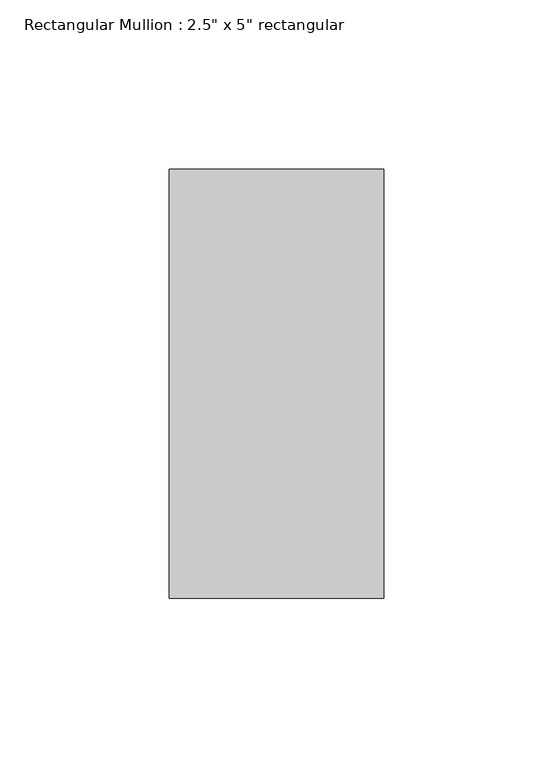
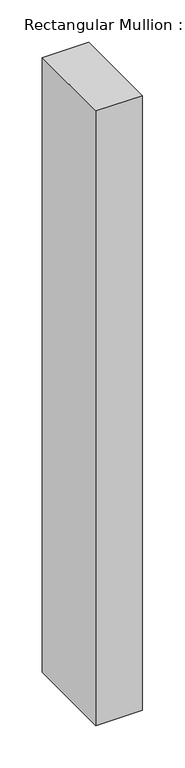
"""IFC4 building model written with IfcOpenShell, lengths in millimetres: member geometry."""

from ifc_helpers import new_model, si_unit, frame, origin, place, context, project, spatial, polyline, outline, extrude, source, transform, mapped, element, save


def member_85c64e20(model_context):
    return source(origin(), model_context, "Body", "SweptSolid", [
        extrude(outline(polyline([(0.0, 63.5), (0.0, -63.5), (-63.5, -63.5), (-63.5, 63.5), (0.0, 63.5)])), frame((0.0, 0.0, -888.7112215), z_axis=(0.0, 0.0, 1.0), x_axis=(1.0, 0.0, 0.0)), (0.0, 0.0, 1.0), 888.7112215),
    ])


if __name__ == "__main__":
    model = new_model("IFC4")
    model_context = context("Model", 3, world=origin())
    ifc_project = project(units=[si_unit("LENGTHUNIT", "METRE", prefix="MILLI")], contexts=[model_context])
    site = spatial("IfcSite", under=ifc_project)
    building = spatial("IfcBuilding", under=site)
    placement = place(None, origin())
    member_shape = member_85c64e20(model_context)
    element("IfcMember", 1, ObjectType="Rectangular Mullion : 2.5\" x 5\" rectangular", at=placement, inside=building, context=model_context, shape_type="MappedRepresentation", body=[
        mapped(member_shape, transform((0.0, 0.0, 0.0), x_axis=(1.0, 0.0, 0.0), y_axis=(0.0, 1.0, 0.0), z_axis=(0.0, 0.0, 1.0))),
    ])
    save(model, "model.ifc")
